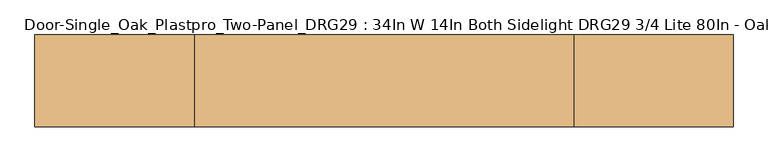
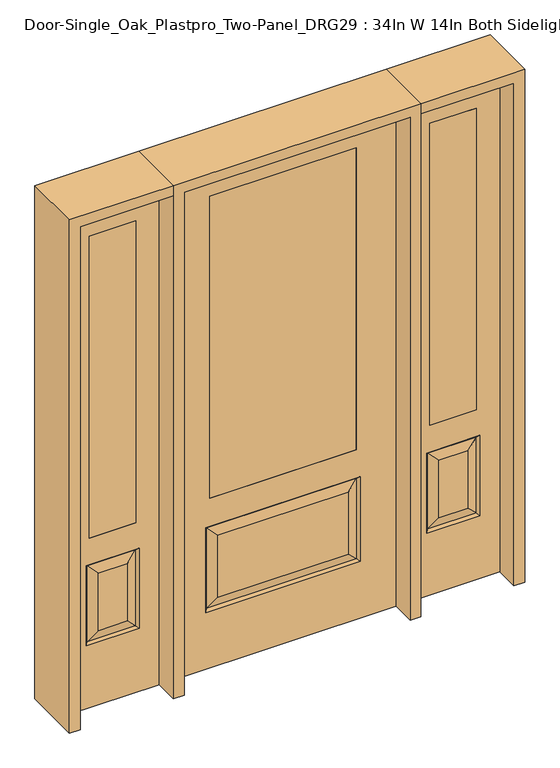
"""IFC4 building model written with IfcOpenShell, lengths in millimetres: door geometry, Door-Single_Oak_Plastpro_Two-Panel_DRG29 : 34In W 14In Both Sidelight DRG29 3/4 Lite 80In - Oak."""

from ifc_helpers import new_model, si_unit, frame, origin, place, context, project, spatial, polyline, outline, extrude, faceted_brep, source, transform, mapped, element, save


def door_single_oak_plastpro_two_panel_drg29_34in_w_14in_both_8489ff94(model_context):
    return source(origin(), model_context, "Body", "SolidModel", [
        extrude(outline(polyline([(-279.4, -20.6375), (-279.4, 20.6375), (279.4, 20.6375), (279.4, -20.6375), (-279.4, -20.6375)])), frame((0.0, 0.0, 685.8), z_axis=(0.0, 0.0, 1.0), x_axis=(1.0, 0.0, 0.0)), (0.0, 0.0, 1.0), 1219.2),
        faceted_brep([(-249.1224548, -20.6375, 274.7525452), (249.1224548, -20.6375, 274.7525452), (249.1224548, -20.6375, 525.3474548), (-249.1224548, -20.6375, 525.3474548), (431.8, -20.6375, 2032.0), (-431.8, -20.6375, 2032.0), (-431.8, -20.6375, 0.0), (431.8, -20.6375, 0.0), (295.1599548, -20.6375, 228.7150452), (-295.1599548, -20.6375, 228.7150452), (-295.1599548, -20.6375, 571.3849548), (295.1599548, -20.6375, 571.3849548), (-279.4, -20.6375, 1905.0), (279.4, -20.6375, 1905.0), (279.4, -20.6375, 685.8), (-279.4, -20.6375, 685.8), (-279.4, 20.6375, 1905.0), (-279.4, 20.6375, 685.8), (279.4, 20.6375, 685.8), (249.1224548, 20.6375, 274.7525452), (-249.1224548, 20.6375, 274.7525452), (-249.1224548, 20.6375, 525.3474548), (249.1224548, 20.6375, 525.3474548), (-431.8, 20.6375, 2032.0), (431.8, 20.6375, 2032.0), (431.8, 20.6375, 0.0), (-431.8, 20.6375, 0.0), (-295.1599548, 20.6375, 228.7150452), (295.1599548, 20.6375, 228.7150452), (295.1599548, 20.6375, 571.3849548), (-295.1599548, 20.6375, 571.3849548), (279.4, 20.6375, 1905.0), (286.1796986, -11.6572439, 237.6953014), (-286.1796986, -11.6572439, 237.6953014), (-286.1796986, -11.6572439, 562.4046986), (286.1796986, -11.6572439, 562.4046986), (286.1796986, 11.6572439, 237.6953014), (-286.1796986, 11.6572439, 237.6953014), (-286.1796986, 11.6572439, 562.4046986), (286.1796986, 11.6572439, 562.4046986)], [[[0, 1, 2, 3]], [[4, 5, 6, 7], [8, 9, 10, 11], [12, 13, 14, 15]], [[16, 12, 15, 17]], [[17, 15, 14, 18]], [[19, 20, 21, 22]], [[23, 24, 25, 26], [27, 28, 29, 30], [31, 16, 17, 18]], [[13, 31, 18, 14]], [[6, 26, 25, 7]], [[5, 23, 26, 6]], [[24, 4, 7, 25]], [[32, 33, 9, 8]], [[9, 33, 34, 10]], [[10, 34, 35, 11]], [[32, 8, 11, 35]], [[33, 32, 1, 0]], [[1, 32, 35, 2]], [[34, 3, 2, 35]], [[33, 0, 3, 34]], [[36, 37, 20, 19]], [[20, 37, 38, 21]], [[21, 38, 39, 22]], [[36, 19, 22, 39]], [[37, 36, 28, 27]], [[28, 36, 39, 29]], [[38, 30, 29, 39]], [[37, 27, 30, 38]], [[12, 16, 31, 13]], [[5, 4, 24, 23]]]),
        extrude(outline(polyline([(739.775, -20.6375), (561.975, -20.6375), (561.975, 20.6375), (739.775, 20.6375), (739.775, -20.6375)])), frame((0.0, 0.0, 685.8), z_axis=(0.0, 0.0, 1.0), x_axis=(1.0, 0.0, 0.0)), (0.0, 0.0, 1.0), 1219.2),
        faceted_brep([(739.775, -20.6375, 1905.0), (561.975, -20.6375, 1905.0), (561.975, 20.6375, 1905.0), (739.775, 20.6375, 1905.0), (706.3224548, -20.6375, 531.6974548), (595.4275452, -20.6375, 531.6974548), (595.4275452, -20.6375, 300.1525452), (706.3224548, -20.6375, 300.1525452), (473.075, -20.6375, 2032.0), (473.075, -20.6375, 0.0), (828.675, -20.6375, 0.0), (828.675, -20.6375, 2032.0), (739.775, -20.6375, 685.8), (561.975, -20.6375, 685.8), (752.3599548, -20.6375, 254.1150452), (549.3900452, -20.6375, 254.1150452), (549.3900452, -20.6375, 577.7349548), (752.3599548, -20.6375, 577.7349548), (743.3796986, 11.6572439, 568.7546986), (752.3599548, 20.6375, 577.7349548), (752.3599548, 20.6375, 254.1150452), (743.3796986, 11.6572439, 263.0953014), (558.3703014, 11.6572439, 568.7546986), (549.3900452, 20.6375, 577.7349548), (706.3224548, 20.6375, 300.1525452), (706.3224548, 20.6375, 531.6974548), (739.775, 20.6375, 685.8), (561.975, 20.6375, 685.8), (558.3703014, -11.6572439, 263.0953014), (743.3796986, -11.6572439, 263.0953014), (558.3703014, -11.6572439, 568.7546986), (743.3796986, -11.6572439, 568.7546986), (473.075, 20.6375, 2032.0), (828.675, 20.6375, 2032.0), (473.075, 20.6375, 0.0), (828.675, 20.6375, 0.0), (549.3900452, 20.6375, 254.1150452), (595.4275452, 20.6375, 300.1525452), (595.4275452, 20.6375, 531.6974548), (558.3703014, 11.6572439, 263.0953014)], [[[0, 1, 2, 3]], [[4, 5, 6, 7]], [[8, 9, 10, 11], [0, 12, 13, 1], [14, 15, 16, 17]], [[18, 19, 20, 21]], [[18, 22, 23, 19]], [[21, 24, 25, 18]], [[26, 27, 13, 12]], [[7, 6, 28, 29]], [[6, 5, 30, 28]], [[29, 14, 17, 31]], [[32, 8, 11, 33]], [[34, 35, 10, 9]], [[32, 34, 9, 8]], [[11, 10, 35, 33]], [[33, 35, 34, 32], [19, 23, 36, 20], [2, 27, 26, 3]], [[24, 37, 38, 25]], [[20, 36, 39, 21]], [[36, 23, 22, 39]], [[25, 38, 22, 18]], [[39, 22, 38, 37]], [[21, 39, 37, 24]], [[3, 26, 12, 0]], [[1, 13, 27, 2]], [[31, 4, 7, 29]], [[31, 30, 5, 4]], [[17, 16, 30, 31]], [[28, 30, 16, 15]], [[29, 28, 15, 14]]]),
        extrude(outline(polyline([(-739.775, -20.6375), (-739.775, 20.6375), (-561.975, 20.6375), (-561.975, -20.6375), (-739.775, -20.6375)])), frame((0.0, 0.0, 685.8), z_axis=(0.0, 0.0, 1.0), x_axis=(1.0, 0.0, 0.0)), (0.0, 0.0, 1.0), 1219.2),
        faceted_brep([(-739.775, -20.6375, 1905.0), (-739.775, 20.6375, 1905.0), (-561.975, 20.6375, 1905.0), (-561.975, -20.6375, 1905.0), (-706.3224548, -20.6375, 531.6974548), (-706.3224548, -20.6375, 300.1525452), (-595.4275452, -20.6375, 300.1525452), (-595.4275452, -20.6375, 531.6974548), (-473.075, -20.6375, 2032.0), (-828.675, -20.6375, 2032.0), (-828.675, -20.6375, 0.0), (-473.075, -20.6375, 0.0), (-752.3599548, -20.6375, 254.1150452), (-752.3599548, -20.6375, 577.7349548), (-549.3900452, -20.6375, 577.7349548), (-549.3900452, -20.6375, 254.1150452), (-561.975, -20.6375, 685.8), (-739.775, -20.6375, 685.8), (-743.3796986, 11.6572439, 568.7546986), (-743.3796986, 11.6572439, 263.0953014), (-752.3599548, 20.6375, 254.1150452), (-752.3599548, 20.6375, 577.7349548), (-549.3900452, 20.6375, 577.7349548), (-558.3703014, 11.6572439, 568.7546986), (-706.3224548, 20.6375, 531.6974548), (-706.3224548, 20.6375, 300.1525452), (-739.775, 20.6375, 685.8), (-561.975, 20.6375, 685.8), (-743.3796986, -11.6572439, 263.0953014), (-558.3703014, -11.6572439, 263.0953014), (-558.3703014, -11.6572439, 568.7546986), (-743.3796986, -11.6572439, 568.7546986), (-473.075, 20.6375, 2032.0), (-828.675, 20.6375, 2032.0), (-473.075, 20.6375, 0.0), (-828.675, 20.6375, 0.0), (-549.3900452, 20.6375, 254.1150452), (-595.4275452, 20.6375, 531.6974548), (-595.4275452, 20.6375, 300.1525452), (-558.3703014, 11.6572439, 263.0953014)], [[[0, 1, 2, 3]], [[4, 5, 6, 7]], [[8, 9, 10, 11], [12, 13, 14, 15], [0, 3, 16, 17]], [[18, 19, 20, 21]], [[18, 21, 22, 23]], [[19, 18, 24, 25]], [[26, 17, 16, 27]], [[5, 28, 29, 6]], [[6, 29, 30, 7]], [[28, 31, 13, 12]], [[32, 33, 9, 8]], [[34, 11, 10, 35]], [[32, 8, 11, 34]], [[9, 33, 35, 10]], [[33, 32, 34, 35], [21, 20, 36, 22], [2, 1, 26, 27]], [[25, 24, 37, 38]], [[20, 19, 39, 36]], [[36, 39, 23, 22]], [[24, 18, 23, 37]], [[39, 38, 37, 23]], [[19, 25, 38, 39]], [[1, 0, 17, 26]], [[3, 2, 27, 16]], [[31, 28, 5, 4]], [[31, 4, 7, 30]], [[13, 31, 30, 14]], [[29, 15, 14, 30]], [[28, 12, 15, 29]]]),
        extrude(outline(polyline([(2032.0, -473.075), (2073.275, -473.075), (2073.275, -869.95), (0.0, -869.95), (0.0, -828.675), (2032.0, -828.675), (2032.0, -473.075)])), frame((0.0, -114.3, 0.0), z_axis=(0.0, 1.0, 0.0), x_axis=(0.0, 0.0, 1.0)), (0.0, 0.0, 1.0), 228.6),
        extrude(outline(polyline([(2073.275, -473.075), (0.0, -473.075), (0.0, -431.8), (2032.0, -431.8), (2032.0, 431.8), (0.0, 431.8), (0.0, 473.075), (2073.275, 473.075), (2073.275, -473.075)])), frame((0.0, -114.3, 0.0), z_axis=(0.0, 1.0, 0.0), x_axis=(0.0, 0.0, 1.0)), (0.0, 0.0, 1.0), 228.6),
        extrude(outline(polyline([(0.0, 828.675), (0.0, 869.95), (2073.275, 869.95), (2073.275, 473.075), (2032.0, 473.075), (2032.0, 828.675), (0.0, 828.675)])), frame((0.0, -114.3, 0.0), z_axis=(0.0, 1.0, 0.0), x_axis=(0.0, 0.0, 1.0)), (0.0, 0.0, 1.0), 228.6),
    ])


if __name__ == "__main__":
    model = new_model("IFC4")
    model_context = context("Model", 3, world=origin())
    ifc_project = project(units=[si_unit("LENGTHUNIT", "METRE", prefix="MILLI")], contexts=[model_context])
    site = spatial("IfcSite", under=ifc_project)
    building = spatial("IfcBuilding", under=site)
    placement = place(None, origin())
    door_single_oak_plastpro_two_panel_drg29_34in_w_14in_both_shape = door_single_oak_plastpro_two_panel_drg29_34in_w_14in_both_8489ff94(model_context)
    element("IfcDoor", 1, ObjectType="Door-Single_Oak_Plastpro_Two-Panel_DRG29 : 34In W 14In Both Sidelight DRG29 3/4 Lite 80In - Oak", at=placement, inside=building, context=model_context, shape_type="MappedRepresentation", body=[
        mapped(door_single_oak_plastpro_two_panel_drg29_34in_w_14in_both_shape, transform((0.0, 0.0, 0.0), x_axis=(1.0, 0.0, 0.0), y_axis=(0.0, 1.0, 0.0), z_axis=(0.0, 0.0, 1.0))),
    ])
    save(model, "model.ifc")
